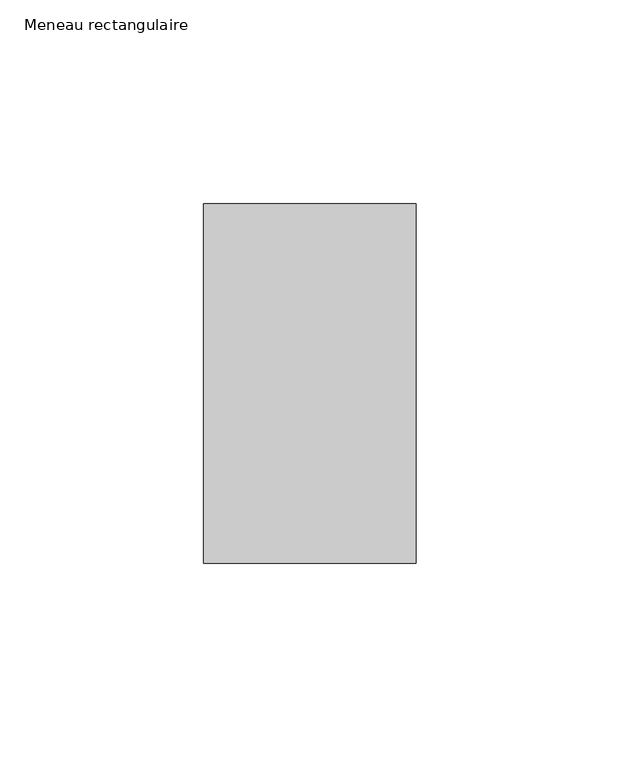
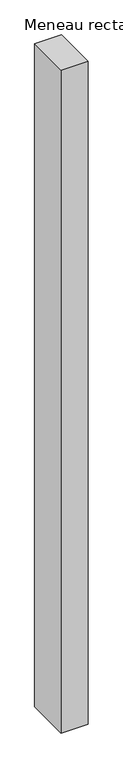
"""IFC4 building model written with IfcOpenShell, lengths in millimetres: member geometry, Meneau rectangulaire."""

from ifc_helpers import new_model, si_unit, frame, origin, place, context, project, spatial, polyline, outline, extrude, source, transform, mapped, element, save


def meneau_rectangulaire_5b81af87(model_context):
    return source(origin(), model_context, "Body", "SweptSolid", [
        extrude(outline(polyline([(-52.0, 44.0), (0.0, 44.0), (0.0, -44.0), (-52.0, -44.0), (-52.0, 44.0)])), frame((0.0, 0.0, -1351.4999999), z_axis=(0.0, 0.0, 1.0), x_axis=(1.0, 0.0, 0.0)), (0.0, 0.0, 1.0), 1351.4999999),
    ])


if __name__ == "__main__":
    model = new_model("IFC4")
    model_context = context("Model", 3, world=origin())
    ifc_project = project(units=[si_unit("LENGTHUNIT", "METRE", prefix="MILLI")], contexts=[model_context])
    site = spatial("IfcSite", under=ifc_project)
    building = spatial("IfcBuilding", under=site)
    placement = place(None, origin())
    meneau_rectangulaire_shape = meneau_rectangulaire_5b81af87(model_context)
    element("IfcMember", 1, ObjectType="Meneau rectangulaire", at=placement, inside=building, context=model_context, shape_type="MappedRepresentation", body=[
        mapped(meneau_rectangulaire_shape, transform((0.0, 0.0, 0.0), x_axis=(1.0, 0.0, 0.0), y_axis=(0.0, 1.0, 0.0), z_axis=(0.0, 0.0, 1.0))),
    ])
    save(model, "model.ifc")
